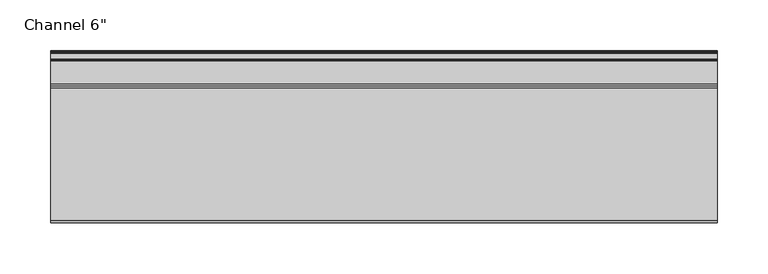
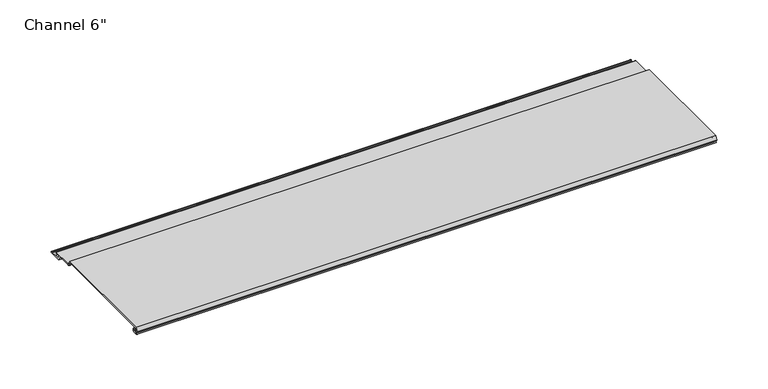
"""IFC4 building model written with IfcOpenShell, lengths in millimetres: proxy geometry."""

from ifc_helpers import new_model, si_unit, frame, origin, place, context, project, spatial, polyline, circle_curve, source, transform, mapped, element, save
from ifc_brep_helpers import plane_surface, cylinder_surface, revolved_surface, advanced_brep


def proxy_24ac9571(model_context):
    return source(origin(), model_context, "Body", "AdvancedBrep", [
        advanced_brep(
        [(0.0, 4.8748016, 8.2677279), (0.0, 3.9297655, 8.3107178), (0.0, 1.0903749, 8.3537076), (0.0, 0.065443, 8.3537076), (0.0, 0.065443, 9.2261945), (0.0, 2.1184419, 13.2537076), (0.0, 132.1449258, 13.2537076), (0.0, 133.9134005, 9.7843776), (0.0, 136.5861823, 8.1468156), (0.0, 158.2910449, 8.1468156), (0.0, 158.2738459, 6.6269129), (0.0, 154.1507651, 6.6268074), (0.0, 153.6162088, 5.7543198), (0.0, 154.7634478, 3.5037076), (0.0, 159.5480327, 3.5037076), (0.0, 160.305331, 2.8682589), (0.0, 166.0979176, 2.8682589), (0.0, 166.8552159, 3.5037076), (0.0, 167.8052159, 3.5037076), (0.0, 167.8052159, 1.8537076), (0.0, 153.8456734, 1.8537076), (0.0, 151.3262639, 6.7961945), (0.0, 135.5537955, 6.7961945), (0.0, 132.8207237, 8.4707369), (0.0, 131.183017, 11.6837076), (0.0, 4.9698231, 11.6837076), (0.0, 4.9454257, 9.4970429), (0.0, 6.3252986, 9.4327708), (0.0, 6.2190404, 4.8677279), (0.0, 2.2867276, 4.8677279), (0.0, 2.2368711, 6.1940104), (0.0, 4.5055344, 6.3177279), (0.0, 6.0740222, 6.3177279), (0.0, 6.0740222, 8.2677279), (653.773, 4.8748016, 8.2677279), (653.773, 6.0740222, 8.2677279), (653.773, 6.0740222, 6.3177279), (653.773, 4.5055344, 6.3177279), (653.773, 2.2368711, 6.1940104), (653.773, 2.2867276, 4.8677279), (653.773, 6.2190404, 4.8677279), (653.773, 6.3252986, 9.4327708), (653.773, 4.9454257, 9.4970429), (653.773, 4.9698231, 11.6837076), (653.773, 131.183017, 11.6837076), (653.773, 132.8207237, 8.4707369), (653.773, 135.5537955, 6.7961945), (653.773, 151.3262639, 6.7961945), (653.773, 153.8456734, 1.8537076), (653.773, 167.8052159, 1.8537076), (653.773, 167.8052159, 3.5037076), (653.773, 166.8552159, 3.5037076), (653.773, 166.0979176, 2.8682589), (653.773, 160.305331, 2.8682589), (653.773, 159.5480327, 3.5037076), (653.773, 154.7634478, 3.5037076), (653.773, 153.6162088, 5.7543198), (653.773, 154.1507651, 6.6268074), (653.773, 158.2738459, 6.6268074), (653.773, 158.2910449, 8.1468156), (653.773, 136.5861823, 8.1468156), (653.773, 133.9134005, 9.7843776), (653.773, 132.1449258, 13.2537076), (653.773, 2.1184419, 13.2537076), (653.773, 0.065443, 9.2261945), (653.773, 0.065443, 8.3537076), (653.773, 1.0903749, 8.3537076), (653.773, 3.9297655, 8.3107178)],
        [
            (0, 1),
            (1, 2, circle_curve(frame((0.0, 2.4847467, 6.6596487), z_axis=(1.0, 0.0, 0.0), x_axis=(0.0, 1.0, 0.0)), 2.1941076)),
            (2, 3),
            (3, 4),
            (4, 5),
            (5, 6),
            (6, 7),
            (7, 8, circle_curve(frame((0.0, 136.5861823, 11.1468156), z_axis=(1.0, 0.0, 0.0), x_axis=(0.0, 1.0, 0.0)), 3.0)),
            (8, 9),
            (9, 10, circle_curve(frame((0.0, 158.2824454, 7.3868643), z_axis=(-1.0, 0.0, 0.0), x_axis=(0.0, 1.0, 0.0)), 0.76)),
            (10, 11),
            (11, 12, circle_curve(frame((0.0, 154.1507651, 6.0268074), z_axis=(1.0, 0.0, 0.0), x_axis=(0.0, 1.0, 0.0)), 0.6)),
            (12, 13),
            (13, 14),
            (14, 15),
            (15, 16),
            (16, 17),
            (17, 18),
            (18, 19, circle_curve(frame((0.0, 167.8052159, 2.6787076), z_axis=(-1.0, 0.0, 0.0), x_axis=(0.0, 1.0, 0.0)), 0.825)),
            (19, 20),
            (20, 21),
            (21, 22),
            (22, 23, circle_curve(frame((0.0, 135.5537955, 9.8638307), z_axis=(-1.0, 0.0, 0.0), x_axis=(0.0, 1.0, 0.0)), 3.0676362)),
            (23, 24),
            (24, 25),
            (25, 26, circle_curve(frame((0.0, 4.9836004, 10.5900854), z_axis=(1.0, 0.0, 0.0), x_axis=(0.0, 1.0, 0.0)), 1.093709)),
            (26, 27),
            (27, 28, circle_curve(frame((0.0, 6.2190404, 7.151486), z_axis=(-1.0, 0.0, 0.0), x_axis=(0.0, 1.0, 0.0)), 2.2837581)),
            (28, 29),
            (29, 30, circle_curve(frame((0.0, 2.2867276, 5.5318063), z_axis=(-1.0, 0.0, 0.0), x_axis=(0.0, 1.0, 0.0)), 0.6640784)),
            (30, 31),
            (31, 32),
            (32, 33, circle_curve(frame((0.0, 6.0740222, 7.2927279), z_axis=(1.0, 0.0, 0.0), x_axis=(0.0, 1.0, 0.0)), 0.975)),
            (33, 0),
            (34, 35),
            (35, 36, circle_curve(frame((653.773, 6.0740222, 7.2927279), z_axis=(-1.0, 0.0, 0.0), x_axis=(0.0, 1.0, 0.0)), 0.975)),
            (36, 37),
            (37, 38),
            (38, 39, circle_curve(frame((653.773, 2.2867276, 5.5318063), z_axis=(1.0, 0.0, 0.0), x_axis=(0.0, 1.0, 0.0)), 0.6640784)),
            (39, 40),
            (40, 41, circle_curve(frame((653.773, 6.2190404, 7.151486), z_axis=(1.0, 0.0, 0.0), x_axis=(0.0, 1.0, 0.0)), 2.2837581)),
            (41, 42),
            (42, 43, circle_curve(frame((653.773, 4.9836004, 10.5900854), z_axis=(-1.0, 0.0, 0.0), x_axis=(0.0, 1.0, 0.0)), 1.093709)),
            (43, 44),
            (44, 45),
            (45, 46, circle_curve(frame((653.773, 135.5537955, 9.8638307), z_axis=(1.0, 0.0, 0.0), x_axis=(0.0, 1.0, 0.0)), 3.0676362)),
            (46, 47),
            (47, 48),
            (48, 49),
            (49, 50, circle_curve(frame((653.773, 167.8052159, 2.6787076), z_axis=(1.0, 0.0, 0.0), x_axis=(0.0, 1.0, 0.0)), 0.825)),
            (50, 51),
            (51, 52),
            (52, 53),
            (53, 54),
            (54, 55),
            (55, 56),
            (56, 57, circle_curve(frame((653.773, 154.1507651, 6.0268074), z_axis=(-1.0, 0.0, 0.0), x_axis=(0.0, 1.0, 0.0)), 0.6)),
            (57, 58),
            (58, 59, circle_curve(frame((653.773, 158.2824454, 7.3868643), z_axis=(1.0, 0.0, 0.0), x_axis=(0.0, 1.0, 0.0)), 0.76)),
            (59, 60),
            (60, 61, circle_curve(frame((653.773, 136.5861823, 11.1468156), z_axis=(-1.0, 0.0, 0.0), x_axis=(0.0, 1.0, 0.0)), 3.0)),
            (61, 62),
            (62, 63),
            (63, 64),
            (64, 65),
            (65, 66),
            (66, 67, circle_curve(frame((653.773, 2.4847467, 6.6596487), z_axis=(-1.0, 0.0, 0.0), x_axis=(0.0, 1.0, 0.0)), 2.1941076)),
            (67, 34),
            (0, 34),
            (67, 1),
            (66, 2),
            (65, 3),
            (64, 4),
            (63, 5),
            (62, 6),
            (8, 60),
            (59, 9),
            (58, 10),
            (57, 11),
            (56, 12),
            (55, 13),
            (54, 14),
            (53, 15),
            (52, 16),
            (51, 17),
            (50, 18),
            (49, 19),
            (48, 20),
            (47, 21),
            (24, 44),
            (43, 25),
            (42, 26),
            (41, 27),
            (40, 28),
            (39, 29),
            (38, 30),
            (37, 31),
            (36, 32),
            (35, 33),
            (61, 7),
            (46, 22),
            (45, 23),
        ],
        [
            plane_surface(frame((0.0, 0.0, 0.0), z_axis=(-1.0, 0.0, 0.0), x_axis=(0.0, 0.0, 1.0))),
            plane_surface(frame((653.773, 0.0, 0.0), z_axis=(1.0, 0.0, 0.0), x_axis=(0.0, 0.0, 1.0))),
            plane_surface(frame((0.0, 4.8748016, 8.2677279), z_axis=(0.0, -0.04544319935372813, -0.9989669241934377), x_axis=(1.0, 0.0, 0.0))),
            revolved_surface(polyline([(653.773, 4.6788543, 6.6596487), (0.0, 4.6788543, 6.6596487)]), (0.0, 2.4847467, 6.6596487), (1.0, 0.0, 0.0)),
            plane_surface(frame((0.0, 1.0903749, 8.3537076), z_axis=(0.0, 0.0, -1.0), x_axis=(1.0, 0.0, 0.0))),
            plane_surface(frame((0.0, 0.065443, 8.3537076), z_axis=(0.0, -1.0, 0.0), x_axis=(1.0, 0.0, 0.0))),
            plane_surface(frame((0.0, 0.065443, 9.2261945), z_axis=(0.0, -0.8909279044420687, 0.4541447666619799), x_axis=(1.0, 0.0, 0.0))),
            plane_surface(frame((0.0, 2.1184419, 13.2537076), z_axis=(0.0, 0.0, 1.0), x_axis=(1.0, 0.0, 0.0))),
            plane_surface(frame((0.0, 136.5861823, 8.1468156), z_axis=(0.0, 0.0, 1.0), x_axis=(1.0, 0.0, 0.0))),
            cylinder_surface(frame((0.0, 158.2824454, 7.3868643), z_axis=(-1.0, 0.0, 0.0), x_axis=(0.0, 1.0, 0.0)), 0.76),
            plane_surface(frame((0.0, 158.2738459, 6.6268074), z_axis=(0.0, 0.0, -1.0), x_axis=(1.0, 0.0, 0.0))),
            revolved_surface(polyline([(653.773, 154.7507651, 6.0268074), (0.0, 154.7507651, 6.0268074)]), (0.0, 154.1507651, 6.0268074), (1.0, 0.0, 0.0)),
            plane_surface(frame((0.0, 153.6162088, 5.7543198), z_axis=(0.0, 0.8909272743742515, 0.4541460027084542), x_axis=(1.0, 0.0, 0.0))),
            plane_surface(frame((0.0, 154.7634478, 3.5037076), z_axis=(0.0, 0.0, 1.0), x_axis=(1.0, 0.0, 0.0))),
            plane_surface(frame((0.0, 159.5480327, 3.5037076), z_axis=(0.0, 0.6427876096865227, 0.766044443118992), x_axis=(1.0, 0.0, 0.0))),
            plane_surface(frame((0.0, 160.305331, 2.8682589), z_axis=(0.0, 0.0, 1.0), x_axis=(1.0, 0.0, 0.0))),
            plane_surface(frame((0.0, 166.0979176, 2.8682589), z_axis=(0.0, -0.6427876096865325, 0.7660444431189838), x_axis=(1.0, 0.0, 0.0))),
            plane_surface(frame((0.0, 166.8552159, 3.5037076), z_axis=(0.0, 0.0, 1.0), x_axis=(1.0, 0.0, 0.0))),
            cylinder_surface(frame((0.0, 167.8052159, 2.6787076), z_axis=(-1.0, 0.0, 0.0), x_axis=(0.0, 1.0, 0.0)), 0.825),
            plane_surface(frame((0.0, 167.8052159, 1.8537076), z_axis=(0.0, 0.0, -1.0), x_axis=(1.0, 0.0, 0.0))),
            plane_surface(frame((0.0, 153.8456734, 1.8537076), z_axis=(0.0, -0.8909272743276264, -0.45414600279992157), x_axis=(1.0, 0.0, 0.0))),
            plane_surface(frame((0.0, 131.183017, 11.6837076), z_axis=(0.0, 0.0, -1.0), x_axis=(1.0, 0.0, 0.0))),
            revolved_surface(polyline([(653.773, 6.077309400000001, 10.5900854), (0.0, 6.077309400000001, 10.5900854)]), (0.0, 4.9836004, 10.5900854), (1.0, 0.0, 0.0)),
            plane_surface(frame((0.0, 4.9454257, 9.4970429), z_axis=(0.0, 0.04652776816327156, 0.9989169969470661), x_axis=(1.0, 0.0, 0.0))),
            cylinder_surface(frame((0.0, 6.2190404, 7.151486), z_axis=(-1.0, 0.0, 0.0), x_axis=(0.0, 1.0, 0.0)), 2.2837581),
            plane_surface(frame((0.0, 6.2190404, 4.8677279), z_axis=(0.0, 0.0, -1.0), x_axis=(1.0, 0.0, 0.0))),
            cylinder_surface(frame((0.0, 2.2867276, 5.5318063), z_axis=(-1.0, 0.0, 0.0), x_axis=(0.0, 1.0, 0.0)), 0.6640784),
            plane_surface(frame((0.0, 2.2368711, 6.1940104), z_axis=(0.0, -0.05445228147224722, 0.9985163739481027), x_axis=(1.0, 0.0, 0.0))),
            plane_surface(frame((0.0, 4.5055344, 6.3177279), z_axis=(0.0, 0.0, 1.0), x_axis=(1.0, 0.0, 0.0))),
            revolved_surface(polyline([(653.773, 7.0490222, 7.2927279), (0.0, 7.0490222, 7.2927279)]), (0.0, 6.0740222, 7.2927279), (1.0, 0.0, 0.0)),
            plane_surface(frame((0.0, 6.0740222, 8.2677279), z_axis=(0.0, 0.0, -1.0), x_axis=(1.0, 0.0, 0.0))),
            plane_surface(frame((0.0, 132.1449258, 13.2537076), z_axis=(0.0, 0.8909272743279992, 0.4541460027991903), x_axis=(1.0, 0.0, 0.0))),
            revolved_surface(polyline([(653.773, 139.5861823, 11.1468156), (0.0, 139.5861823, 11.1468156)]), (0.0, 136.5861823, 11.1468156), (1.0, 0.0, 0.0)),
            plane_surface(frame((0.0, 151.3262639, 6.7961945), z_axis=(0.0, 0.0, -1.0), x_axis=(1.0, 0.0, 0.0))),
            cylinder_surface(frame((0.0, 135.5537955, 9.8638307), z_axis=(-1.0, 0.0, 0.0), x_axis=(0.0, 1.0, 0.0)), 3.0676362),
            plane_surface(frame((0.0, 132.8207237, 8.4707369), z_axis=(0.0, -0.8909373855001649, -0.4541261665199778), x_axis=(1.0, 0.0, 0.0))),
        ],
        [
            (0, [[1, 2, 3, 4, 5, 6, 7, 8, 9, 10, 11, 12, 13, 14, 15, 16, 17, 18, 19, 20, 21, 22, 23, 24, 25, 26, 27, 28, 29, 30, 31, 32, 33, 34]]),
            (1, [[35, 36, 37, 38, 39, 40, 41, 42, 43, 44, 45, 46, 47, 48, 49, 50, 51, 52, 53, 54, 55, 56, 57, 58, 59, 60, 61, 62, 63, 64, 65, 66, 67, 68]]),
            (2, [[-1, 69, -68, 70]]),
            (3, [[-2, -70, -67, 71]]),
            (4, [[-3, -71, -66, 72]]),
            (5, [[-4, -72, -65, 73]]),
            (6, [[-5, -73, -64, 74]]),
            (7, [[-6, -74, -63, 75]]),
            (8, [[-9, 76, -60, 77]]),
            (9, [[-10, -77, -59, 78]]),
            (10, [[-11, -78, -58, 79]]),
            (11, [[-12, -79, -57, 80]]),
            (12, [[-13, -80, -56, 81]]),
            (13, [[-14, -81, -55, 82]]),
            (14, [[-15, -82, -54, 83]]),
            (15, [[-16, -83, -53, 84]]),
            (16, [[-17, -84, -52, 85]]),
            (17, [[-18, -85, -51, 86]]),
            (18, [[-19, -86, -50, 87]]),
            (19, [[-20, -87, -49, 88]]),
            (20, [[-21, -88, -48, 89]]),
            (21, [[-25, 90, -44, 91]]),
            (22, [[-26, -91, -43, 92]]),
            (23, [[-27, -92, -42, 93]]),
            (24, [[-28, -93, -41, 94]]),
            (25, [[-29, -94, -40, 95]]),
            (26, [[-30, -95, -39, 96]]),
            (27, [[-31, -96, -38, 97]]),
            (28, [[-32, -97, -37, 98]]),
            (29, [[-33, -98, -36, 99]]),
            (30, [[-34, -99, -35, -69]]),
            (31, [[-7, -75, -62, 100]]),
            (32, [[-8, -100, -61, -76]]),
            (33, [[-22, -89, -47, 101]]),
            (34, [[-23, -101, -46, 102]]),
            (35, [[-24, -102, -45, -90]]),
        ],
    ),
    ])


if __name__ == "__main__":
    model = new_model("IFC4")
    model_context = context("Model", 3, world=origin())
    ifc_project = project(units=[si_unit("LENGTHUNIT", "METRE", prefix="MILLI")], contexts=[model_context])
    site = spatial("IfcSite", under=ifc_project)
    building = spatial("IfcBuilding", under=site)
    placement = place(None, origin())
    proxy_shape = proxy_24ac9571(model_context)
    element("IfcBuildingElementProxy", 1, Name="Channel 6\"", ObjectType="Channel 6\"", at=placement, inside=building, context=model_context, shape_type="MappedRepresentation", body=[
        mapped(proxy_shape, transform((0.0, 0.0, 0.0), x_axis=(1.0, 0.0, 0.0), y_axis=(0.0, 1.0, 0.0), z_axis=(0.0, 0.0, 1.0))),
    ])
    save(model, "model.ifc")
